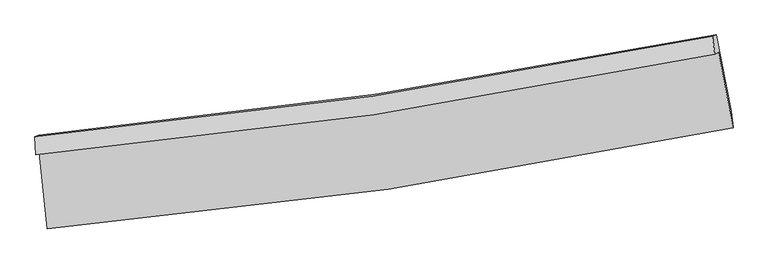
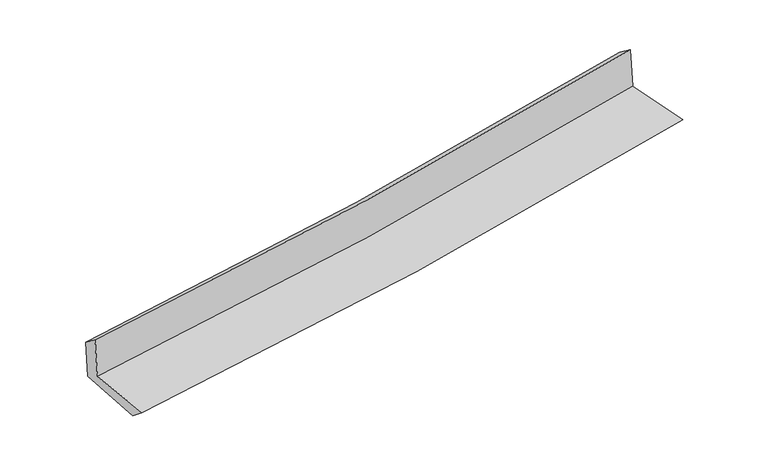
"""IFC4 building model written with IfcOpenShell, lengths in millimetres: proxy geometry."""

from ifc_helpers import new_model, si_unit, frame, origin, place, context, project, spatial, source, transform, mapped, element, save
from ifc_brep_helpers import plane_surface, spline_curve, spline_surface, advanced_brep


def generic_models_9b5a68c2(model_context):
    return source(origin(), model_context, "Body", "AdvancedBrep", [
        advanced_brep(
        [(-2937.7614163, -1906.0114122, 1635.6807396), (-2870.7480079, -2558.9231163, 1626.3113165), (3028.0415876, -1691.1940353, 2125.9505124), (2903.9284712, -1041.4418988, 2130.389573), (-2971.6378325, -1922.9730442, 2045.8456553), (2870.572665, -1058.1941964, 2536.0141766), (-2976.7714603, -1769.1091292, 1925.2373348), (2851.7089177, -906.732343, 2425.303456), (-2945.5646246, -1755.1222658, 1549.3087103), (2882.0789504, -893.1205337, 2059.4552574), (-2875.2245717, -2410.2535155, 1504.2004331), (3010.7870273, -1549.8356365, 2018.730667)],
        [
            (0, 1),
            (1, 2, spline_curve(3, [(-2870.7480079, -2558.9231163, 1626.3113165), (-1888.4591102, -2475.211056896, 1712.346692049), (-910.19020477, -2361.974491504, 1796.637695968), (1056.222192669, -2073.827245856, 1963.248835886), (2044.216485948, -1897.820784011, 2045.504230522), (3028.0415876, -1691.1940353, 2125.9505124)], [4, 2, 4], [0.0, 9.684181413635292, 19.546436373030563])),
            (2, 3),
            (3, 0, spline_curve(3, [(2903.9284712, -1041.4418988, 2130.389573), (1929.8657603, -1245.384446784, 2050.841699812), (951.55359661, -1419.792918622, 1969.449801147), (-995.828437288, -1706.92584626, 1804.480866157), (-1964.746235984, -1820.707212684, 1720.969820494), (-2937.7614163, -1906.0114122, 1635.6807396)], [4, 2, 4], [0.0, 9.86225495939527, 19.546436373030563])),
            (4, 0),
            (3, 5),
            (5, 4, spline_curve(3, [(2870.572665, -1058.1941964, 2536.0141766), (1896.564941082, -1262.101348728, 2455.49329439), (918.235841694, -1436.510047395, 2374.004607965), (-1029.322302359, -1723.71402857, 2210.58046703), (-1998.396702554, -1837.564945802, 2128.679646332), (-2971.6378325, -1922.9730442, 2045.8456553)], [4, 2, 4], [0.0, 9.814911855803174, 19.452604996142142])),
            (6, 4),
            (5, 7),
            (7, 6, spline_curve(3, [(2851.7089177, -906.732343, 2425.303456), (1879.373787857, -1103.355572807, 2340.099019223), (903.038485818, -1273.951653796, 2255.449993015), (-1039.931457287, -1560.479171938, 2088.781161823), (-2006.422948404, -1677.342019697, 2006.741481099), (-2976.7714603, -1769.1091292, 1925.2373348)], [4, 2, 4], [0.0, 9.803655521130587, 19.430295571940768])),
            (8, 6),
            (7, 9),
            (9, 8, spline_curve(3, [(2882.0789504, -893.1205337, 2059.4552574), (1909.880862344, -1089.682341308, 1972.599966362), (933.684467041, -1260.216164514, 1886.27762189), (-1009.006475286, -1546.618635039, 1716.247844912), (-1975.357938304, -1663.418722466, 1632.521340424), (-2945.5646246, -1755.1222658, 1549.3087103)], [4, 2, 4], [0.0, 9.792334031711318, 19.407857014684563])),
            (10, 8),
            (9, 11),
            (11, 10, spline_curve(3, [(3010.7870273, -1549.8356365, 2018.730667), (2029.298667632, -1753.300537044, 1930.642902945), (1043.546424684, -1927.120058591, 1843.337942164), (-918.610029231, -2212.865125494, 1671.855877983), (-1894.861652802, -2325.851563661, 1587.650760502), (-2875.2245717, -2410.2535155, 1504.2004331)], [4, 2, 4], [0.0, 9.840567043683018, 19.50345214008601])),
            (1, 10),
            (11, 2),
        ],
        [
            spline_surface(3, 3, [[(-2937.7614163, -1906.0114122, 1635.6807396), (-1964.746236097, -1820.707212678, 1720.969820417), (-995.828437297, -1706.925846414, 1804.480866162), (951.553596619, -1419.792918466, 1969.449801142), (1929.865760298, -1245.384446908, 2050.841699856), (2903.9284712, -1041.4418988, 2130.389573)], [(-2915.423613491, -2123.648646902, 1632.557598552), (-1939.317194161, -2038.875160806, 1718.095444271), (-967.282359818, -1925.275394821, 1801.86647612), (986.443128679, -1637.804360894, 1967.382812693), (1967.982668809, -1462.863225992, 2049.062543363), (2945.299509996, -1258.025944305, 2128.909886133)], [(-2893.085810709, -2341.285881598, 1629.434457548), (-1913.888152251, -2257.043108929, 1715.221068168), (-938.736282358, -2143.624943214, 1799.252086089), (1021.332660719, -1855.815803308, 1965.315824256), (2006.099577334, -1680.342005061, 2047.283386872), (2986.670548804, -1474.609989795, 2127.430199267)], [(-2870.7480079, -2558.9231163, 1626.3113165), (-1888.459110315, -2475.211057057, 1712.346692022), (-910.190204878, -2361.974491621, 1796.637696047), (1056.222192779, -2073.827245736, 1963.248835806), (2044.216485846, -1897.820784145, 2045.50423038), (3028.0415876, -1691.1940353, 2125.9505124)]], [4, 4], [4, 2, 4], [0.0, 2.170191676075005], [0.0, 9.684181413635292, 19.546436373030563]),
            spline_surface(3, 3, [[(-2971.6378325, -1922.9730442, 2045.8456553), (-1998.396702633, -1837.564945669, 2128.679646282), (-1029.322302514, -1723.714028429, 2210.580466974), (918.235841852, -1436.510047538, 2374.004608022), (1896.564940941, -1262.101348832, 2455.493294435), (2870.572665, -1058.1941964, 2536.0141766)], [(-2960.34569378, -1917.31916687, 1909.12401674), (-1987.179880467, -1831.945701342, 1992.776371), (-1018.157680795, -1718.117967739, 2075.213933367), (929.341760088, -1430.937671163, 2239.153005726), (1907.665214079, -1256.529048198, 2320.609429589), (2881.691267086, -1052.610097207, 2400.805975413)], [(-2949.05355502, -1911.66528953, 1772.40237816), (-1975.963058263, -1826.326457005, 1856.873095699), (-1006.993059016, -1712.521907104, 1939.84739977), (940.447678383, -1425.365294841, 2104.301403439), (1918.76548716, -1250.956747542, 2185.725564702), (2892.809869114, -1047.025997993, 2265.597774187)], [(-2937.7614163, -1906.0114122, 1635.6807396), (-1964.746236097, -1820.707212678, 1720.969820417), (-995.828437297, -1706.925846414, 1804.480866162), (951.553596619, -1419.792918466, 1969.449801142), (1929.865760298, -1245.384446908, 2050.841699856), (2903.9284712, -1041.4418988, 2130.389573)]], [4, 4], [4, 2, 4], [0.0, 1.3354081560449764], [0.0, 9.637693140338968, 19.452604996142142]),
            spline_surface(3, 3, [[(-2976.7714603, -1769.1091292, 1925.2373348), (-2006.422948244, -1677.342019669, 2006.741480976), (-1039.93145737, -1560.479171968, 2088.781161878), (903.038485902, -1273.951653765, 2255.449992959), (1879.373787695, -1103.355572709, 2340.099019117), (2851.7089177, -906.732343, 2425.303456)], [(-2975.060251028, -1820.397100852, 1965.440108285), (-2003.747533035, -1730.749661654, 2047.387536063), (-1036.395072418, -1614.890790794, 2129.380930267), (908.104271218, -1328.137785028, 2294.968198004), (1885.104172095, -1156.270831398, 2378.563777536), (2857.996833451, -957.219627448, 2462.207029513)], [(-2973.349041772, -1871.685072548, 2005.642881815), (-2001.072117842, -1784.157303684, 2088.033591195), (-1032.858687465, -1669.302409603, 2169.980698585), (913.170056535, -1382.323916275, 2334.486402978), (1890.834556541, -1209.186090143, 2417.028536016), (2864.284749249, -1007.706911952, 2499.110603087)], [(-2971.6378325, -1922.9730442, 2045.8456553), (-1998.396702633, -1837.564945669, 2128.679646282), (-1029.322302514, -1723.714028429, 2210.580466974), (918.235841852, -1436.510047538, 2374.004608022), (1896.564940941, -1262.101348832, 2455.493294435), (2870.572665, -1058.1941964, 2536.0141766)]], [4, 4], [4, 2, 4], [0.0, 0.6654195793996359], [0.0, 9.626640050810181, 19.430295571940768]),
            spline_surface(3, 3, [[(-2945.5646246, -1755.1222658, 1549.3087103), (-1975.357938342, -1663.418722408, 1632.521340399), (-1009.006475228, -1546.618634922, 1716.247844928), (933.684466982, -1260.216164633, 1886.277621873), (1909.88086219, -1089.682341454, 1972.599966387), (2882.0789504, -893.1205337, 2059.4552574)], [(-2955.966903156, -1759.784553599, 1674.618251801), (-1985.712941632, -1668.059821494, 1757.261387259), (-1019.314802612, -1551.238813927, 1840.425617243), (923.469139952, -1264.794661, 2009.3350789), (1899.711837362, -1094.240085233, 2095.09965064), (2871.955606171, -897.657803494, 2181.404656943)], [(-2966.369181744, -1764.446841401, 1799.927793299), (-1996.067944954, -1672.700920583, 1882.001434116), (-1029.623129986, -1555.858992963, 1964.603389564), (913.253812932, -1269.373157398, 2132.392535932), (1889.542812522, -1098.79782893, 2217.599334864), (2861.832261929, -902.195073206, 2303.354056457)], [(-2976.7714603, -1769.1091292, 1925.2373348), (-2006.422948244, -1677.342019669, 2006.741480976), (-1039.93145737, -1560.479171968, 2088.781161878), (903.038485902, -1273.951653765, 2255.449992959), (1879.373787695, -1103.355572709, 2340.099019117), (2851.7089177, -906.732343, 2425.303456)]], [4, 4], [4, 2, 4], [0.0, 1.2216319565945728], [0.0, 9.615522982973244, 19.407857014684563]),
            spline_surface(3, 3, [[(-2875.2245717, -2410.2535155, 1504.2004331), (-1894.861652762, -2325.851563553, 1587.650760513), (-918.610029346, -2212.865125417, 1671.855877828), (1043.546424802, -1927.12005867, 1843.337942322), (2029.298667725, -1753.300537153, 1930.642902933), (3010.7870273, -1549.8356365, 2018.730667)], [(-2898.671256009, -2191.876432273, 1519.236525511), (-1921.693747965, -2105.040616511, 1602.607620486), (-948.742177965, -1990.782961933, 1686.653200182), (1006.925772203, -1704.818760672, 1857.651168826), (1989.492732546, -1532.094471916, 1944.628590737), (2967.884334999, -1330.930602229, 2032.305530452)], [(-2922.117940291, -1973.499349027, 1534.272617889), (-1948.525843139, -1884.22966945, 1617.564480426), (-978.874326609, -1768.700798406, 1701.450522575), (970.305119581, -1482.517462631, 1871.96439537), (1949.686797369, -1310.888406691, 1958.614278584), (2924.981642701, -1112.025567971, 2045.880393948)], [(-2945.5646246, -1755.1222658, 1549.3087103), (-1975.357938342, -1663.418722408, 1632.521340399), (-1009.006475228, -1546.618634922, 1716.247844928), (933.684466982, -1260.216164633, 1886.277621873), (1909.88086219, -1089.682341454, 1972.599966387), (2882.0789504, -893.1205337, 2059.4552574)]], [4, 4], [4, 2, 4], [0.0, 2.216197572605795], [0.0, 9.662885096402993, 19.50345214008601]),
            spline_surface(3, 3, [[(-2870.7480079, -2558.9231163, 1626.3113165), (-1888.459110315, -2475.211057057, 1712.346692022), (-910.190204878, -2361.974491621, 1796.637696047), (1056.222192779, -2073.827245736, 1963.248835806), (2044.216485846, -1897.820784145, 2045.50423038), (3028.0415876, -1691.1940353, 2125.9505124)], [(-2872.240195836, -2509.366582704, 1585.607688711), (-1890.593291133, -2425.424559226, 1670.78138153), (-912.996813026, -2312.271369557, 1755.04375664), (1051.996936795, -2024.924850052, 1923.278537977), (2039.243879802, -1849.647368464, 2007.217121244), (3022.290067497, -1644.074569017, 2090.210563947)], [(-2873.732383764, -2459.810049096, 1544.904060889), (-1892.727471944, -2375.638061384, 1629.216071005), (-915.803421199, -2262.568247481, 1713.449817235), (1047.771680786, -1976.022454354, 1883.308240151), (2034.271273768, -1801.473952834, 1968.930012069), (3016.538547403, -1596.955102783, 2054.470615453)], [(-2875.2245717, -2410.2535155, 1504.2004331), (-1894.861652762, -2325.851563553, 1587.650760513), (-918.610029346, -2212.865125417, 1671.855877828), (1043.546424802, -1927.12005867, 1843.337942322), (2029.298667725, -1753.300537153, 1930.642902933), (3010.7870273, -1549.8356365, 2018.730667)]], [4, 4], [4, 2, 4], [0.0, 0.6305703418181674], [0.0, 9.720542558867967, 19.619827275305514]),
            plane_surface(frame((2924.5196032, -1190.0864406, 2215.9739404), z_axis=(0.9785270789384956, 0.18631210509587082, 0.08816209661096262), x_axis=(-0.08267129725062244, -0.037053168535954153, 0.995887804580589))),
            plane_surface(frame((-2929.6179855, -2053.7320805, 1714.4306983), z_axis=(-0.9912112028351646, -0.10050127909401656, -0.08602234752977166), x_axis=(-0.10209099391469885, 0.9946726539727877, 0.01427376615472943))),
        ],
        [
            (0, [[1, 2, 3, 4]]),
            (1, [[5, -4, 6, 7]]),
            (2, [[8, -7, 9, 10]]),
            (3, [[11, -10, 12, 13]]),
            (4, [[14, -13, 15, 16]]),
            (5, [[17, -16, 18, -2]]),
            (6, [[-12, -9, -6, -3, -18, -15]]),
            (7, [[-1, -5, -8, -11, -14, -17]]),
        ],
    ),
    ])


if __name__ == "__main__":
    model = new_model("IFC4")
    model_context = context("Model", 3, world=origin())
    ifc_project = project(units=[si_unit("LENGTHUNIT", "METRE", prefix="MILLI")], contexts=[model_context])
    site = spatial("IfcSite", under=ifc_project)
    building = spatial("IfcBuilding", under=site)
    placement = place(None, origin())
    generic_models_shape = generic_models_9b5a68c2(model_context)
    element("IfcBuildingElementProxy", 1, Name="Generic Models", at=placement, inside=building, context=model_context, shape_type="MappedRepresentation", body=[
        mapped(generic_models_shape, transform((0.0, 0.0, 0.0), x_axis=(1.0, 0.0, 0.0), y_axis=(0.0, 1.0, 0.0), z_axis=(0.0, 0.0, 1.0))),
    ])
    save(model, "model.ifc")
